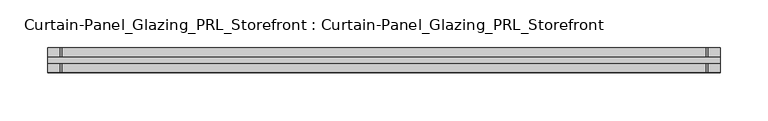
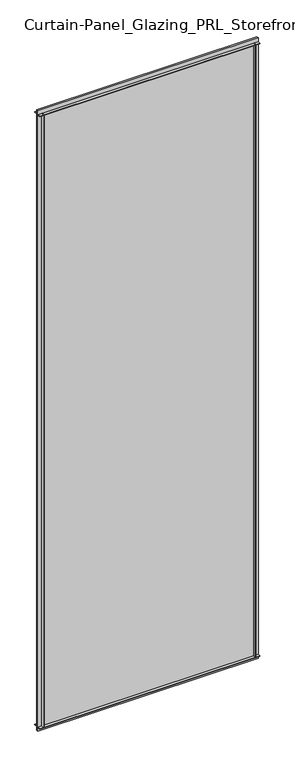
"""IFC4 building model written with IfcOpenShell, lengths in millimetres: plate geometry, Curtain-Panel_Glazing_PRL_Storefront : Curtain-Panel_Glazing_PRL_Storefront."""

from ifc_helpers import new_model, si_unit, frame, origin, origin_with_axes, place, context, project, spatial, polyline, outline, extrude, source, transform, mapped, element, save


def curtain_panel_glazing_prl_storefront_curtain_panel_glazing_78955426(model_context):
    return source(origin(), model_context, "Body", "SweptSolid", [
        extrude(outline(polyline([(386.8208333, -12.7), (385.2333333, -12.7), (385.2333333, -3.175), (386.8208333, -3.175), (386.8208333, -12.7)])), frame((0.0, 0.0, 12.7), z_axis=(0.0, 0.0, 1.0), x_axis=(1.0, 0.0, 0.0)), (0.0, 0.0, 1.0), 2056.60625),
        extrude(outline(polyline([(386.8208333, 12.7), (386.8208333, 3.175), (385.2333333, 3.175), (385.2333333, 12.7), (386.8208333, 12.7)])), frame((0.0, 0.0, 12.7), z_axis=(0.0, 0.0, 1.0), x_axis=(1.0, 0.0, 0.0)), (0.0, 0.0, 1.0), 2056.60625),
        extrude(outline(polyline([(-288.3958333, -12.7), (-288.3958333, -3.175), (-286.8083333, -3.175), (-286.8083333, -12.7), (-288.3958333, -12.7)])), frame((0.0, 0.0, 12.7), z_axis=(0.0, 0.0, 1.0), x_axis=(1.0, 0.0, 0.0)), (0.0, 0.0, 1.0), 2056.60625),
        extrude(outline(polyline([(-288.3958333, 12.7), (-286.8083333, 12.7), (-286.8083333, 3.175), (-288.3958333, 3.175), (-288.3958333, 12.7)])), frame((0.0, 0.0, 12.7), z_axis=(0.0, 0.0, 1.0), x_axis=(1.0, 0.0, 0.0)), (0.0, 0.0, 1.0), 2056.60625),
        extrude(outline(polyline([(399.5208333, 3.175), (399.5208333, -3.175), (-301.0958333, -3.175), (-301.0958333, 3.175), (399.5208333, 3.175)])), origin_with_axes(), (0.0, 0.0, 1.0), 2082.00625),
        extrude(outline(polyline([(-301.0958333, -12.7), (-301.0958333, -3.175), (399.5208333, -3.175), (399.5208333, -12.7), (-301.0958333, -12.7)])), frame((0.0, 0.0, 2067.71875), z_axis=(0.0, 0.0, 1.0), x_axis=(1.0, 0.0, 0.0)), (0.0, 0.0, 1.0), 1.5875),
        extrude(outline(polyline([(-301.0958333, 12.7), (399.5208333, 12.7), (399.5208333, 3.175), (-301.0958333, 3.175), (-301.0958333, 12.7)])), frame((0.0, 0.0, 2067.71875), z_axis=(0.0, 0.0, 1.0), x_axis=(1.0, 0.0, 0.0)), (0.0, 0.0, 1.0), 1.5875),
        extrude(outline(polyline([(-301.0958333, -12.7), (-301.0958333, -3.175), (399.5208333, -3.175), (399.5208333, -12.7), (-301.0958333, -12.7)])), frame((0.0, 0.0, 12.7), z_axis=(0.0, 0.0, 1.0), x_axis=(1.0, 0.0, 0.0)), (0.0, 0.0, 1.0), 1.5875),
        extrude(outline(polyline([(-301.0958333, 12.7), (399.5208333, 12.7), (399.5208333, 3.175), (-301.0958333, 3.175), (-301.0958333, 12.7)])), frame((0.0, 0.0, 12.7), z_axis=(0.0, 0.0, 1.0), x_axis=(1.0, 0.0, 0.0)), (0.0, 0.0, 1.0), 1.5875),
    ])


if __name__ == "__main__":
    model = new_model("IFC4")
    model_context = context("Model", 3, world=origin())
    ifc_project = project(units=[si_unit("LENGTHUNIT", "METRE", prefix="MILLI")], contexts=[model_context])
    site = spatial("IfcSite", under=ifc_project)
    building = spatial("IfcBuilding", under=site)
    placement = place(None, origin())
    curtain_panel_glazing_prl_storefront_curtain_panel_glazing_shape = curtain_panel_glazing_prl_storefront_curtain_panel_glazing_78955426(model_context)
    element("IfcPlate", 1, ObjectType="Curtain-Panel_Glazing_PRL_Storefront : Curtain-Panel_Glazing_PRL_Storefront", at=placement, inside=building, context=model_context, shape_type="MappedRepresentation", body=[
        mapped(curtain_panel_glazing_prl_storefront_curtain_panel_glazing_shape, transform((0.0, 0.0, 0.0), x_axis=(1.0, 0.0, 0.0), y_axis=(0.0, 1.0, 0.0), z_axis=(0.0, 0.0, 1.0))),
    ])
    save(model, "model.ifc")
